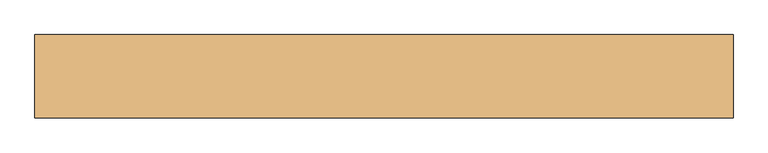
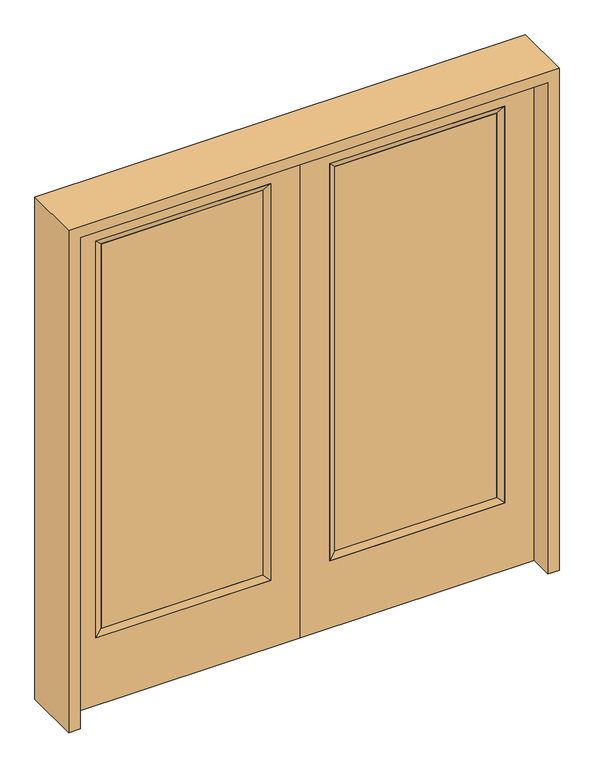
"""IFC4 building model written with IfcOpenShell, lengths in millimetres: door geometry."""

from ifc_helpers import new_model, si_unit, frame, origin, place, context, project, spatial, polyline, outline, extrude, faceted_brep, source, transform, mapped, element, save


def door_8c95b963(model_context):
    return source(origin(), model_context, "Body", "SolidModel", [
        extrude(outline(polyline([(140.8176, -12.7039749), (140.8176, 14.2875), (773.5824, 14.2875), (773.5824, -12.7039749), (140.8176, -12.7039749)])), frame((0.0, 0.0, 304.8), z_axis=(0.0, 0.0, 1.0), x_axis=(1.0, 0.0, 0.0)), (0.0, 0.0, 1.0), 1590.675),
        faceted_brep([(140.8176, 14.2875, 1895.475), (140.8176, 14.2875, 304.8), (115.4176, 22.225, 279.4), (115.4176, 22.225, 1920.875), (115.4176, -22.225, 279.4), (115.4176, -22.225, 1920.875), (773.5824, 14.2875, 304.8), (798.9824, 22.225, 279.4), (140.8176, -12.7039749, 1895.475), (140.8176, -12.7039749, 304.8), (773.5824, -12.7039749, 304.8), (798.9824, -22.225, 279.4), (773.5824, 14.2875, 1895.475), (798.9824, 22.225, 1920.875), (773.5824, -12.7039749, 1895.475), (798.9824, -22.225, 1920.875)], [[[0, 1, 2, 3]], [[3, 2, 4, 5]], [[1, 6, 7, 2]], [[8, 9, 1, 0]], [[9, 10, 6, 1]], [[5, 4, 9, 8]], [[4, 11, 10, 9]], [[2, 7, 11, 4]], [[6, 12, 13, 7]], [[10, 14, 12, 6]], [[11, 15, 14, 10]], [[7, 13, 15, 11]], [[12, 0, 3, 13]], [[14, 8, 0, 12]], [[15, 5, 8, 14]], [[13, 3, 5, 15]]]),
        extrude(outline(polyline([(0.0, 914.4), (2032.0, 914.4), (2032.0, 0.0), (0.0, 0.0), (0.0, 914.4)]), holes=[polyline([(279.4, 798.9824), (279.4, 115.4176), (1920.875, 115.4176), (1920.875, 798.9824), (279.4, 798.9824)])]), frame((0.0, -22.225, 0.0), z_axis=(0.0, 1.0, 0.0), x_axis=(0.0, 0.0, 1.0)), (0.0, 0.0, 1.0), 44.45),
        extrude(outline(polyline([(-140.8176, -12.7039749), (-773.5824, -12.7039749), (-773.5824, 14.2875), (-140.8176, 14.2875), (-140.8176, -12.7039749)])), frame((0.0, 0.0, 304.8), z_axis=(0.0, 0.0, 1.0), x_axis=(1.0, 0.0, 0.0)), (0.0, 0.0, 1.0), 1590.675),
        faceted_brep([(-140.8176, 14.2875, 1895.475), (-115.4176, 22.225, 1920.875), (-115.4176, 22.225, 279.4), (-140.8176, 14.2875, 304.8), (-115.4176, -22.225, 1920.875), (-115.4176, -22.225, 279.4), (-798.9824, 22.225, 279.4), (-773.5824, 14.2875, 304.8), (-140.8176, -12.7039749, 1895.475), (-140.8176, -12.7039749, 304.8), (-773.5824, -12.7039749, 304.8), (-798.9824, -22.225, 279.4), (-798.9824, 22.225, 1920.875), (-773.5824, 14.2875, 1895.475), (-773.5824, -12.7039749, 1895.475), (-798.9824, -22.225, 1920.875)], [[[0, 1, 2, 3]], [[1, 4, 5, 2]], [[3, 2, 6, 7]], [[8, 0, 3, 9]], [[9, 3, 7, 10]], [[4, 8, 9, 5]], [[5, 9, 10, 11]], [[2, 5, 11, 6]], [[7, 6, 12, 13]], [[10, 7, 13, 14]], [[11, 10, 14, 15]], [[6, 11, 15, 12]], [[13, 12, 1, 0]], [[14, 13, 0, 8]], [[15, 14, 8, 4]], [[12, 15, 4, 1]]]),
        extrude(outline(polyline([(0.0, -914.4), (0.0, 0.0), (2032.0, 0.0), (2032.0, -914.4), (0.0, -914.4)]), holes=[polyline([(279.4, -798.9824), (1920.875, -798.9824), (1920.875, -115.4176), (279.4, -115.4176), (279.4, -798.9824)])]), frame((0.0, -22.225, 0.0), z_axis=(0.0, 1.0, 0.0), x_axis=(0.0, 0.0, 1.0)), (0.0, 0.0, 1.0), 44.45),
        extrude(outline(polyline([(2076.45, -958.85), (0.0, -958.85), (0.0, -914.4), (2032.0, -914.4), (2032.0, 914.4), (0.0, 914.4), (0.0, 958.85), (2076.45, 958.85), (2076.45, -958.85)])), frame((0.0, -114.3, 0.0), z_axis=(0.0, 1.0, 0.0), x_axis=(0.0, 0.0, 1.0)), (0.0, 0.0, 1.0), 228.6),
    ])


if __name__ == "__main__":
    model = new_model("IFC4")
    model_context = context("Model", 3, world=origin())
    ifc_project = project(units=[si_unit("LENGTHUNIT", "METRE", prefix="MILLI")], contexts=[model_context])
    site = spatial("IfcSite", under=ifc_project)
    building = spatial("IfcBuilding", under=site)
    placement = place(None, origin())
    door_shape = door_8c95b963(model_context)
    element("IfcDoor", 1, at=placement, inside=building, context=model_context, shape_type="MappedRepresentation", body=[
        mapped(door_shape, transform((0.0, 0.0, 0.0), x_axis=(1.0, 0.0, 0.0), y_axis=(0.0, 1.0, 0.0), z_axis=(0.0, 0.0, 1.0))),
    ])
    save(model, "model.ifc")
